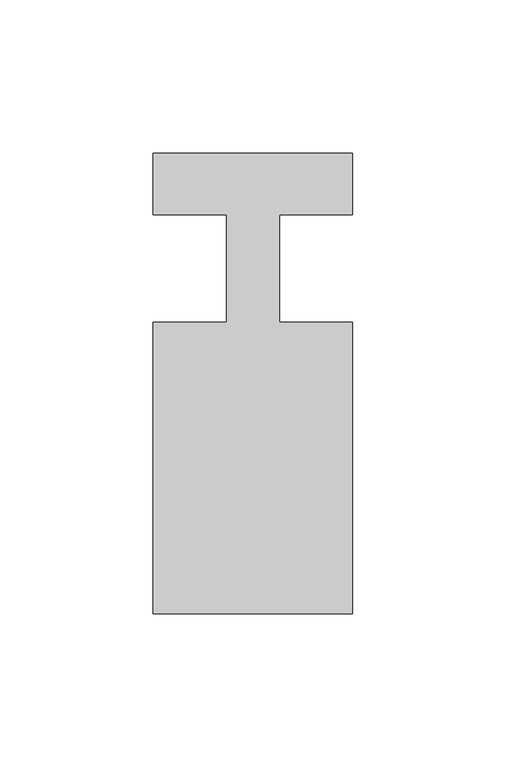
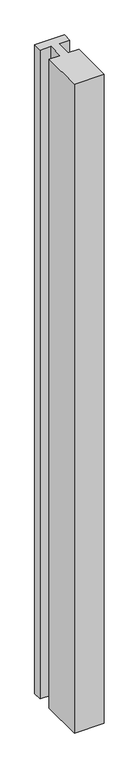
"""IFC4 building model written with IfcOpenShell, lengths in millimetres: member geometry."""

from ifc_helpers import new_model, si_unit, frame, origin, place, context, project, spatial, polyline, outline, extrude, source, transform, mapped, element, save


def member_973435b2(model_context):
    return source(origin(), model_context, "Body", "SweptSolid", [
        extrude(outline(polyline([(0.0, 37.0), (0.0, 17.0), (-23.8125, 17.0), (-23.8125, -18.0), (0.0, -18.0), (0.0, -113.0), (-65.0, -113.0), (-65.0, -18.0), (-41.1875, -18.0), (-41.1875, 17.0), (-65.0, 17.0), (-65.0, 37.0), (0.0, 37.0)])), frame((0.0, 0.0, -1500.0), z_axis=(0.0, 0.0, 1.0), x_axis=(1.0, 0.0, 0.0)), (0.0, 0.0, 1.0), 1500.0),
    ])


if __name__ == "__main__":
    model = new_model("IFC4")
    model_context = context("Model", 3, world=origin())
    ifc_project = project(units=[si_unit("LENGTHUNIT", "METRE", prefix="MILLI")], contexts=[model_context])
    site = spatial("IfcSite", under=ifc_project)
    building = spatial("IfcBuilding", under=site)
    placement = place(None, origin())
    member_shape = member_973435b2(model_context)
    element("IfcMember", 1, at=placement, inside=building, context=model_context, shape_type="MappedRepresentation", body=[
        mapped(member_shape, transform((0.0, 0.0, 0.0), x_axis=(1.0, 0.0, 0.0), y_axis=(0.0, 1.0, 0.0), z_axis=(0.0, 0.0, 1.0))),
    ])
    save(model, "model.ifc")
